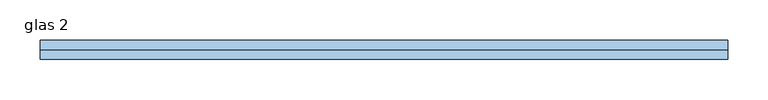
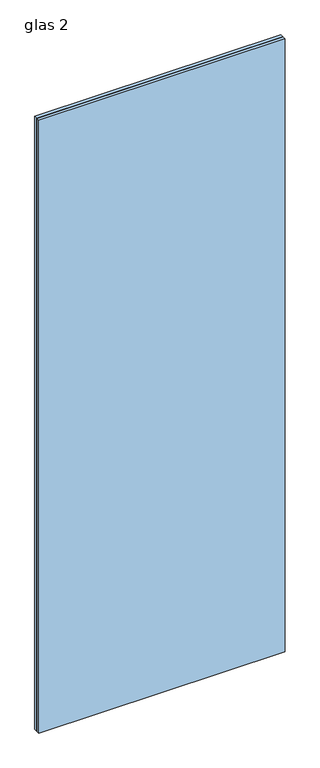
"""IFC4 building model written with IfcOpenShell, lengths in millimetres: window geometry, glas 2."""

from ifc_helpers import new_model, si_unit, origin, origin_with_axes, place, context, project, spatial, polyline, outline, extrude, source, transform, mapped, element, save


def glas_2_ef8b338f(model_context):
    return source(origin(), model_context, "Body", "SweptSolid", [
        extrude(outline(polyline([(-429.75, 12.0), (429.75, 12.0), (429.75, 0.0), (-429.75, 0.0), (-429.75, 12.0)])), origin_with_axes(), (0.0, 0.0, 1.0), 2259.5),
        extrude(outline(polyline([(-429.75, 0.0), (429.75, 0.0), (429.75, -12.0), (-429.75, -12.0), (-429.75, 0.0)])), origin_with_axes(), (0.0, 0.0, 1.0), 2259.5),
    ])


if __name__ == "__main__":
    model = new_model("IFC4")
    model_context = context("Model", 3, world=origin())
    ifc_project = project(units=[si_unit("LENGTHUNIT", "METRE", prefix="MILLI")], contexts=[model_context])
    site = spatial("IfcSite", under=ifc_project)
    building = spatial("IfcBuilding", under=site)
    placement = place(None, origin())
    glas_2_shape = glas_2_ef8b338f(model_context)
    element("IfcWindow", 1, ObjectType="glas 2", at=placement, inside=building, context=model_context, shape_type="MappedRepresentation", body=[
        mapped(glas_2_shape, transform((0.0, 0.0, 0.0), x_axis=(1.0, 0.0, 0.0), y_axis=(0.0, 1.0, 0.0), z_axis=(0.0, 0.0, 1.0))),
    ])
    save(model, "model.ifc")
